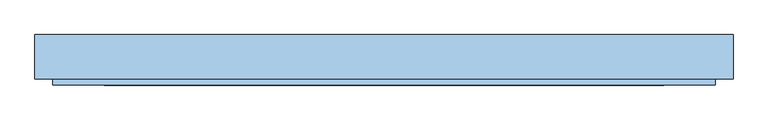
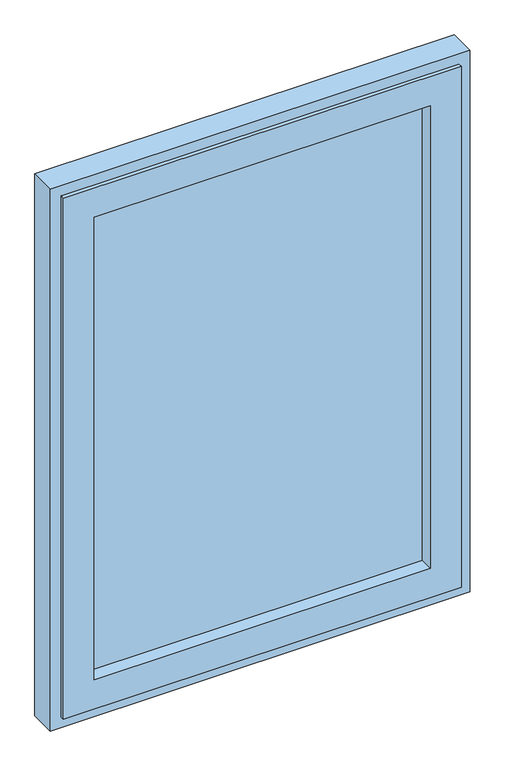
"""IFC4 building model written with IfcOpenShell, lengths in millimetres: window geometry."""

import ifcopenshell
import ifcopenshell.guid

model = None  # the IFC model being written
_history = None  # IfcOwnerHistory: only IFC2X3 demands one
_inside = {}  # id of a spatial element -> (the spatial element, [elements in it])
_under = {}  # id of a project, library or spatial element -> (it, [spatial elements below it])
_declared = {}  # id of a project -> (the project, [libraries it declares])
_typed = {}  # id of a type object -> (the type object, [elements of that type])
_made_of = {}  # id of a material, layer set ... -> (it, [elements and type objects made of it])


def new_model(schema):
    """Start an empty IFC model of exactly this schema.

    Asked for "IFC4X3", IfcOpenShell would pick the latest addendum, in which some entities
    have other attributes; the version numbers below select the first issue.
    IFC2X3 requires an IfcOwnerHistory on every rooted entity: one is made here for all.
    """
    global model, _history
    if schema == "IFC4X3":
        model = ifcopenshell.file(schema_version=(4, 3, 0, 0))
    else:
        model = ifcopenshell.file(schema=schema)
    _inside.clear()
    _under.clear()
    _declared.clear()
    _typed.clear()
    _made_of.clear()
    _history = None
    if model.schema == "IFC2X3":
        org = make("IfcOrganization", Name="unknown")
        user = make(
            "IfcPersonAndOrganization",
            ThePerson=make("IfcPerson", FamilyName="unknown"),
            TheOrganization=org,
        )
        app = make(
            "IfcApplication",
            ApplicationDeveloper=org,
            Version="unknown",
            ApplicationFullName="unknown",
            ApplicationIdentifier="unknown",
        )
        _history = make(
            "IfcOwnerHistory",
            OwningUser=user,
            OwningApplication=app,
            ChangeAction="ADDED",
            CreationDate=0,
        )
    return model


def make(cls, **values):
    """One entity of the class cls with the attributes given. An attribute that is None is left unset."""
    return model.create_entity(
        cls, **{name: value for name, value in values.items() if value is not None}
    )


def rooted(cls, **values):
    """An entity with a GlobalId (a new one), such as an element, a storey or a relation."""
    return make(cls, GlobalId=ifcopenshell.guid.new(), OwnerHistory=_history, **values)


def si_unit(unit_type, name, prefix=None):
    """IfcSIUnit, for example si_unit("LENGTHUNIT", "METRE", prefix="MILLI")."""
    return make("IfcSIUnit", UnitType=unit_type, Prefix=prefix, Name=name)


def assignment(units):
    """IfcUnitAssignment: the units of a project."""
    return None if units is None else make("IfcUnitAssignment", Units=units)


def point(xyz):
    """IfcCartesianPoint."""
    return None if xyz is None else make("IfcCartesianPoint", Coordinates=xyz)


def direction(xyz):
    """IfcDirection."""
    return None if xyz is None else make("IfcDirection", DirectionRatios=xyz)


def frame(location, z_axis=None, x_axis=None):
    """IfcAxis2Placement3D, a coordinate frame: its origin and axes. An axis left out is left unset."""
    return make(
        "IfcAxis2Placement3D",
        Location=point(location),
        Axis=direction(z_axis),
        RefDirection=direction(x_axis),
    )


def origin():
    """The frame at (0, 0, 0) with its axes left unset."""
    return frame((0.0, 0.0, 0.0))


def place(relative_to, where):
    """IfcLocalPlacement: puts the frame where relative to a parent placement (None: the world)."""
    return make(
        "IfcLocalPlacement", PlacementRelTo=relative_to, RelativePlacement=where
    )


def context(
    kind, dimensions, precision=None, world=None, true_north=None, identifier=None
):
    """IfcGeometricRepresentationContext, for example the 3D "Model" context."""
    return make(
        "IfcGeometricRepresentationContext",
        ContextIdentifier=identifier,
        ContextType=kind,
        CoordinateSpaceDimension=dimensions,
        Precision=precision,
        WorldCoordinateSystem=world,
        TrueNorth=true_north,
    )


def project(units=None, contexts=None):
    """IfcProject with its units and contexts."""
    return rooted(
        "IfcProject",
        Name="project",
        RepresentationContexts=contexts,
        UnitsInContext=assignment(units),
    )


def spatial(cls, under=None, at=None, **own):
    """A site, building, storey or space (cls), placed at a placement, below another one or the project."""
    s = rooted(cls, ObjectPlacement=at, **own)
    if under is not None:
        _under.setdefault(under.id(), (under, []))[1].append(s)
    return s


def polyline(points):
    """IfcPolyline through the points."""
    return make("IfcPolyline", Points=[point(p) for p in points])


def outline(outer, holes=None, kind="AREA"):
    """IfcArbitraryClosedProfileDef: a profile drawn as a closed curve; with holes, ...WithVoids."""
    if holes is None:
        return make("IfcArbitraryClosedProfileDef", ProfileType=kind, OuterCurve=outer)
    return make(
        "IfcArbitraryProfileDefWithVoids",
        ProfileType=kind,
        OuterCurve=outer,
        InnerCurves=holes,
    )


def extrude(swept, where, along, depth):
    """IfcExtrudedAreaSolid: the profile swept, set in the frame where, extruded along a direction by depth."""
    return make(
        "IfcExtrudedAreaSolid",
        SweptArea=swept,
        Position=where,
        ExtrudedDirection=direction(along),
        Depth=depth,
    )


def faces_of(points, faces, orient=None, outer=None):
    """IfcFace entities. A face is a list of loops; a loop is a list of indices into points, from 0.

    orient and outer hold one flag for each loop. By default every Orientation is true, the
    first loop of a face is its IfcFaceOuterBound and the others are IfcFaceBound.
    """
    made = []
    for i, loops in enumerate(faces):
        bounds = []
        for j, loop in enumerate(loops):
            is_outer = j == 0 if outer is None else outer[i][j]
            bounds.append(
                make(
                    "IfcFaceOuterBound" if is_outer else "IfcFaceBound",
                    Bound=make("IfcPolyLoop", Polygon=[points[k] for k in loop]),
                    Orientation=True if orient is None else orient[i][j],
                )
            )
        made.append(make("IfcFace", Bounds=bounds))
    return made


def faceted_brep(points, faces, orient=None, outer=None, voids=None):
    """IfcFacetedBrep: a solid bounded by flat faces; with voids (closed shells), ...WithVoids."""
    shared = [point(p) for p in points]
    hull = make("IfcClosedShell", CfsFaces=faces_of(shared, faces, orient, outer))
    if voids is None:
        return make("IfcFacetedBrep", Outer=hull)
    return make(
        "IfcFacetedBrepWithVoids",
        Outer=hull,
        Voids=[
            make(cls, CfsFaces=faces_of(shared, fs, o, b)) for cls, fs, o, b in voids
        ],
    )


def shape(context_of_items, identifier, shape_type, items):
    """IfcShapeRepresentation: the items that make up one representation, for example the "Body"."""
    return make(
        "IfcShapeRepresentation",
        ContextOfItems=context_of_items,
        RepresentationIdentifier=identifier,
        RepresentationType=shape_type,
        Items=items,
    )


def source(mapping_origin, context_of_items, identifier, shape_type, items):
    """IfcRepresentationMap: a shape defined once, which mapped items show again and again."""
    return make(
        "IfcRepresentationMap",
        MappingOrigin=mapping_origin,
        MappedRepresentation=shape(context_of_items, identifier, shape_type, items),
    )


def transform(
    local_origin,
    x_axis=None,
    y_axis=None,
    z_axis=None,
    scale=None,
    scale2=None,
    scale3=None,
    uniform=True,
):
    """IfcCartesianTransformationOperator3D, or its non-uniform kind. x_axis, y_axis, z_axis: its Axis1, 2, 3."""
    if uniform:
        return make(
            "IfcCartesianTransformationOperator3D",
            Axis1=direction(x_axis),
            Axis2=direction(y_axis),
            LocalOrigin=point(local_origin),
            Scale=scale,
            Axis3=direction(z_axis),
        )
    return make(
        "IfcCartesianTransformationOperator3DnonUniform",
        Axis1=direction(x_axis),
        Axis2=direction(y_axis),
        LocalOrigin=point(local_origin),
        Scale=scale,
        Axis3=direction(z_axis),
        Scale2=scale2,
        Scale3=scale3,
    )


def mapped(mapping_source, mapping_target):
    """IfcMappedItem: shows the shape of a source again, moved by a transform."""
    return make(
        "IfcMappedItem", MappingSource=mapping_source, MappingTarget=mapping_target
    )


def made_of(thing, what):
    """Note that an element or type object is made of a material, layer set ...; save() writes the relation."""
    if what is not None:
        _made_of.setdefault(what.id(), (what, []))[1].append(thing)
    return thing


def element(
    cls,
    number,
    at=None,
    inside=None,
    cuts=None,
    type_object=None,
    material=None,
    context=None,
    identifier="Body",
    shape_type=None,
    held_by="IfcProductDefinitionShape",
    body=None,
    shapes=None,
    **own,
):
    """One element of the class cls, such as IfcWall. Its Tag is "e" and its number.

    at: its placement. inside: the storey or other place that contains it. cuts: it is an
    opening in that element (IfcRelVoidsElement). A single representation is given by context,
    identifier, shape_type and body (its items); several are given by shapes. held_by: the class
    of the entity that holds the representations. save() writes the other relations.
    """
    e = rooted(cls, Tag="e%d" % number, ObjectPlacement=at, **own)
    if body is not None:
        shapes = [shape(context, identifier, shape_type, body)]
    if shapes is not None:
        e.Representation = make(held_by, Representations=shapes)
    if inside is not None:
        _inside.setdefault(inside.id(), (inside, []))[1].append(e)
    if cuts is not None:
        rooted(
            "IfcRelVoidsElement", RelatingBuildingElement=cuts, RelatedOpeningElement=e
        )
    if type_object is not None:
        _typed.setdefault(type_object.id(), (type_object, []))[1].append(e)
    return made_of(e, material)


def aggregate(whole, parts):
    """IfcRelAggregates: a whole, such as a stair, and the parts it consists of."""
    return rooted("IfcRelAggregates", RelatingObject=whole, RelatedObjects=parts)


def save(model, path):
    """Write the relations noted so far, then the file.

    IfcRelAggregates (storeys below a building ...), IfcRelContainedInSpatialStructure (elements
    in a storey), IfcRelDefinesByType, IfcRelAssociatesMaterial and IfcRelDeclares: one each for
    every whole, place, type object, material and project.
    """
    for whole, parts in _under.values():
        aggregate(whole, parts)
    for where, things in _inside.values():
        rooted(
            "IfcRelContainedInSpatialStructure",
            RelatedElements=things,
            RelatingStructure=where,
        )
    for kind, things in _typed.values():
        rooted("IfcRelDefinesByType", RelatedObjects=things, RelatingType=kind)
    for what, things in _made_of.values():
        rooted("IfcRelAssociatesMaterial", RelatedObjects=things, RelatingMaterial=what)
    for by, libraries in _declared.values():
        rooted("IfcRelDeclares", RelatingContext=by, RelatedDefinitions=libraries)
    model.write(path)


def window_eed50148(model_context):
    return source(origin(), model_context, "Body", "SolidModel", [
        faceted_brep([(521.6, -35.0, 2371.6), (521.6, -44.5, 2371.6), (521.6, -44.5, 928.4), (521.6, -35.0, 928.4), (-521.6, -44.5, 2371.6), (-521.6, -44.5, 928.4), (440.4, -44.5, 1009.6), (-440.4, -44.5, 1009.6), (-440.4, -44.5, 2290.4), (440.4, -44.5, 2290.4), (-521.6, -35.0, 928.4), (-521.6, -35.0, 2371.6), (501.7, -35.0, 2351.7), (-501.7, -35.0, 2351.7), (-501.7, -35.0, 948.3), (501.7, -35.0, 948.3), (501.7, 30.0, 2351.7), (501.7, 30.0, 948.3), (-501.7, 30.0, 948.3), (-501.7, 30.0, 2351.7), (486.6, 30.0, 2336.6), (-486.6, 30.0, 2336.6), (-486.6, 30.0, 963.4), (486.6, 30.0, 963.4), (486.6, 35.0, 2336.6), (486.6, 35.0, 963.4), (-486.6, 35.0, 963.4), (-486.6, 35.0, 2336.6), (440.4, 35.0, 2290.4), (-440.4, 35.0, 2290.4), (-440.4, 35.0, 1009.6), (440.4, 35.0, 1009.6)], [[[0, 1, 2, 3]], [[1, 4, 5, 2], [6, 7, 8, 9]], [[3, 2, 5, 10]], [[3, 10, 11, 0], [12, 13, 14, 15]], [[16, 12, 15, 17]], [[17, 15, 14, 18]], [[17, 18, 19, 16], [20, 21, 22, 23]], [[24, 20, 23, 25]], [[25, 23, 22, 26]], [[25, 26, 27, 24], [28, 29, 30, 31]], [[9, 28, 31, 6]], [[6, 31, 30, 7]], [[10, 5, 4, 11]], [[18, 14, 13, 19]], [[26, 22, 21, 27]], [[7, 30, 29, 8]], [[11, 4, 1, 0]], [[19, 13, 12, 16]], [[27, 21, 20, 24]], [[8, 29, 28, 9]]]),
        faceted_brep([(-513.6, 30.0, 2363.6), (-513.6, -35.0, 2363.6), (-513.6, -35.0, 936.4), (-513.6, 30.0, 936.4), (-550.0, -35.0, 900.0), (550.0, -35.0, 900.0), (550.0, -35.0, 2400.0), (-550.0, -35.0, 2400.0), (513.6, -35.0, 2363.6), (513.6, -35.0, 936.4), (513.6, 30.0, 936.4), (513.6, 30.0, 2363.6), (-491.6, 30.0, 2341.6), (491.6, 30.0, 2341.6), (491.6, 30.0, 958.4), (-491.6, 30.0, 958.4), (-491.6, 35.0, 2341.6), (-491.6, 35.0, 958.4), (491.6, 35.0, 958.4), (-550.0, 35.0, 2400.0), (550.0, 35.0, 2400.0), (550.0, 35.0, 900.0), (-550.0, 35.0, 900.0), (491.6, 35.0, 2341.6)], [[[0, 1, 2, 3]], [[4, 5, 6, 7], [1, 8, 9, 2]], [[3, 2, 9, 10]], [[3, 10, 11, 0], [12, 13, 14, 15]], [[16, 12, 15, 17]], [[17, 15, 14, 18]], [[19, 20, 21, 22], [17, 18, 23, 16]], [[19, 22, 4, 7]], [[4, 22, 21, 5]], [[10, 9, 8, 11]], [[18, 14, 13, 23]], [[5, 21, 20, 6]], [[11, 8, 1, 0]], [[23, 13, 12, 16]], [[6, 20, 19, 7]]]),
        extrude(outline(polyline([(-440.4, 27.0), (440.4, 27.0), (440.4, -9.0), (-440.4, -9.0), (-440.4, 27.0)])), frame((0.0, 0.0, 1009.6), z_axis=(0.0, 0.0, 1.0), x_axis=(1.0, 0.0, 0.0)), (0.0, 0.0, 1.0), 1280.8),
    ])


if __name__ == "__main__":
    model = new_model("IFC4")
    model_context = context("Model", 3, world=origin())
    ifc_project = project(units=[si_unit("LENGTHUNIT", "METRE", prefix="MILLI")], contexts=[model_context])
    site = spatial("IfcSite", under=ifc_project)
    building = spatial("IfcBuilding", under=site)
    placement = place(None, origin())
    window_shape = window_eed50148(model_context)
    element("IfcWindow", 1, at=placement, inside=building, context=model_context, shape_type="MappedRepresentation", body=[
        mapped(window_shape, transform((0.0, 0.0, 0.0), x_axis=(1.0, 0.0, 0.0), y_axis=(0.0, 1.0, 0.0), z_axis=(0.0, 0.0, 1.0))),
    ])
    save(model, "model.ifc")
